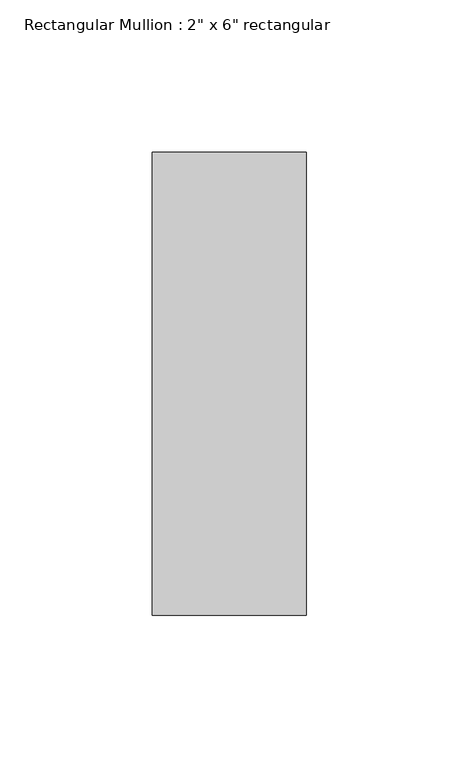
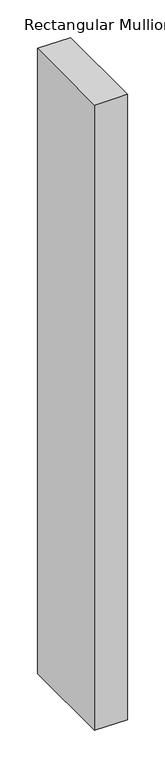
"""IFC4 building model written with IfcOpenShell, lengths in millimetres: member geometry."""

from ifc_helpers import new_model, si_unit, frame, origin, place, context, project, spatial, polyline, outline, extrude, source, transform, mapped, element, save


def member_628dff08(model_context):
    return source(origin(), model_context, "Body", "SweptSolid", [
        extrude(outline(polyline([(0.0, 76.2), (0.0, -76.2), (-50.8, -76.2), (-50.8, 76.2), (0.0, 76.2)])), frame((0.0, 0.0, -1016.0), z_axis=(0.0, 0.0, 1.0), x_axis=(1.0, 0.0, 0.0)), (0.0, 0.0, 1.0), 1016.0),
    ])


if __name__ == "__main__":
    model = new_model("IFC4")
    model_context = context("Model", 3, world=origin())
    ifc_project = project(units=[si_unit("LENGTHUNIT", "METRE", prefix="MILLI")], contexts=[model_context])
    site = spatial("IfcSite", under=ifc_project)
    building = spatial("IfcBuilding", under=site)
    placement = place(None, origin())
    member_shape = member_628dff08(model_context)
    element("IfcMember", 1, ObjectType="Rectangular Mullion : 2\" x 6\" rectangular", at=placement, inside=building, context=model_context, shape_type="MappedRepresentation", body=[
        mapped(member_shape, transform((0.0, 0.0, 0.0), x_axis=(1.0, 0.0, 0.0), y_axis=(0.0, 1.0, 0.0), z_axis=(0.0, 0.0, 1.0))),
    ])
    save(model, "model.ifc")
